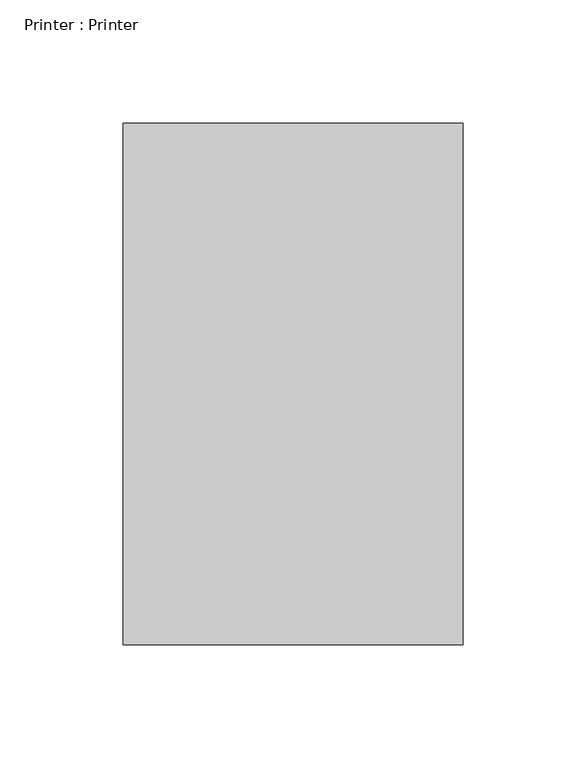
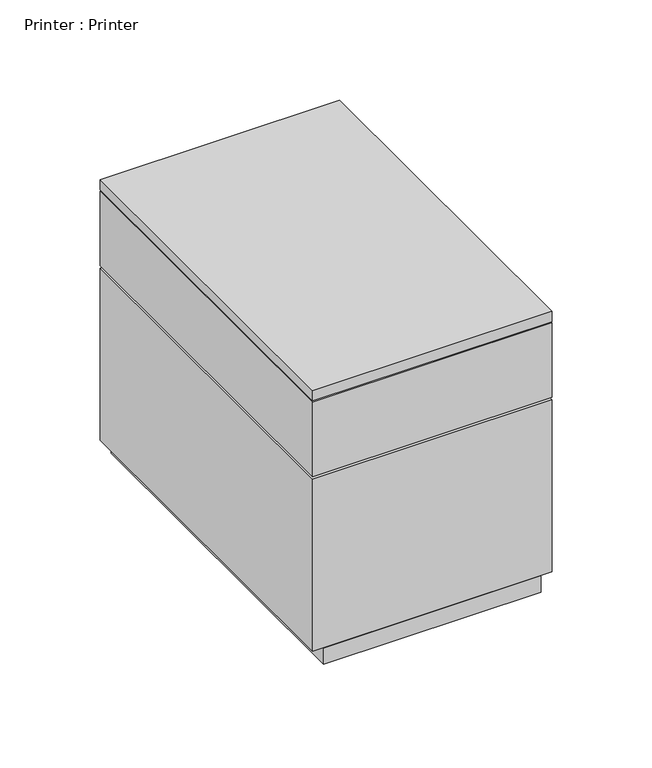
"""IFC4 building model written with IfcOpenShell, lengths in millimetres: proxy geometry, Printer : Printer."""

import ifcopenshell
import ifcopenshell.guid

model = None  # the IFC model being written
_history = None  # IfcOwnerHistory: only IFC2X3 demands one
_inside = {}  # id of a spatial element -> (the spatial element, [elements in it])
_under = {}  # id of a project, library or spatial element -> (it, [spatial elements below it])
_declared = {}  # id of a project -> (the project, [libraries it declares])
_typed = {}  # id of a type object -> (the type object, [elements of that type])
_made_of = {}  # id of a material, layer set ... -> (it, [elements and type objects made of it])


def new_model(schema):
    """Start an empty IFC model of exactly this schema.

    Asked for "IFC4X3", IfcOpenShell would pick the latest addendum, in which some entities
    have other attributes; the version numbers below select the first issue.
    IFC2X3 requires an IfcOwnerHistory on every rooted entity: one is made here for all.
    """
    global model, _history
    if schema == "IFC4X3":
        model = ifcopenshell.file(schema_version=(4, 3, 0, 0))
    else:
        model = ifcopenshell.file(schema=schema)
    _inside.clear()
    _under.clear()
    _declared.clear()
    _typed.clear()
    _made_of.clear()
    _history = None
    if model.schema == "IFC2X3":
        org = make("IfcOrganization", Name="unknown")
        user = make(
            "IfcPersonAndOrganization",
            ThePerson=make("IfcPerson", FamilyName="unknown"),
            TheOrganization=org,
        )
        app = make(
            "IfcApplication",
            ApplicationDeveloper=org,
            Version="unknown",
            ApplicationFullName="unknown",
            ApplicationIdentifier="unknown",
        )
        _history = make(
            "IfcOwnerHistory",
            OwningUser=user,
            OwningApplication=app,
            ChangeAction="ADDED",
            CreationDate=0,
        )
    return model


def make(cls, **values):
    """One entity of the class cls with the attributes given. An attribute that is None is left unset."""
    return model.create_entity(
        cls, **{name: value for name, value in values.items() if value is not None}
    )


def rooted(cls, **values):
    """An entity with a GlobalId (a new one), such as an element, a storey or a relation."""
    return make(cls, GlobalId=ifcopenshell.guid.new(), OwnerHistory=_history, **values)


def si_unit(unit_type, name, prefix=None):
    """IfcSIUnit, for example si_unit("LENGTHUNIT", "METRE", prefix="MILLI")."""
    return make("IfcSIUnit", UnitType=unit_type, Prefix=prefix, Name=name)


def assignment(units):
    """IfcUnitAssignment: the units of a project."""
    return None if units is None else make("IfcUnitAssignment", Units=units)


def point(xyz):
    """IfcCartesianPoint."""
    return None if xyz is None else make("IfcCartesianPoint", Coordinates=xyz)


def direction(xyz):
    """IfcDirection."""
    return None if xyz is None else make("IfcDirection", DirectionRatios=xyz)


def frame(location, z_axis=None, x_axis=None):
    """IfcAxis2Placement3D, a coordinate frame: its origin and axes. An axis left out is left unset."""
    return make(
        "IfcAxis2Placement3D",
        Location=point(location),
        Axis=direction(z_axis),
        RefDirection=direction(x_axis),
    )


def origin():
    """The frame at (0, 0, 0) with its axes left unset."""
    return frame((0.0, 0.0, 0.0))


def place(relative_to, where):
    """IfcLocalPlacement: puts the frame where relative to a parent placement (None: the world)."""
    return make(
        "IfcLocalPlacement", PlacementRelTo=relative_to, RelativePlacement=where
    )


def context(
    kind, dimensions, precision=None, world=None, true_north=None, identifier=None
):
    """IfcGeometricRepresentationContext, for example the 3D "Model" context."""
    return make(
        "IfcGeometricRepresentationContext",
        ContextIdentifier=identifier,
        ContextType=kind,
        CoordinateSpaceDimension=dimensions,
        Precision=precision,
        WorldCoordinateSystem=world,
        TrueNorth=true_north,
    )


def project(units=None, contexts=None):
    """IfcProject with its units and contexts."""
    return rooted(
        "IfcProject",
        Name="project",
        RepresentationContexts=contexts,
        UnitsInContext=assignment(units),
    )


def spatial(cls, under=None, at=None, **own):
    """A site, building, storey or space (cls), placed at a placement, below another one or the project."""
    s = rooted(cls, ObjectPlacement=at, **own)
    if under is not None:
        _under.setdefault(under.id(), (under, []))[1].append(s)
    return s


def faces_of(points, faces, orient=None, outer=None):
    """IfcFace entities. A face is a list of loops; a loop is a list of indices into points, from 0.

    orient and outer hold one flag for each loop. By default every Orientation is true, the
    first loop of a face is its IfcFaceOuterBound and the others are IfcFaceBound.
    """
    made = []
    for i, loops in enumerate(faces):
        bounds = []
        for j, loop in enumerate(loops):
            is_outer = j == 0 if outer is None else outer[i][j]
            bounds.append(
                make(
                    "IfcFaceOuterBound" if is_outer else "IfcFaceBound",
                    Bound=make("IfcPolyLoop", Polygon=[points[k] for k in loop]),
                    Orientation=True if orient is None else orient[i][j],
                )
            )
        made.append(make("IfcFace", Bounds=bounds))
    return made


def faceted_brep(points, faces, orient=None, outer=None, voids=None):
    """IfcFacetedBrep: a solid bounded by flat faces; with voids (closed shells), ...WithVoids."""
    shared = [point(p) for p in points]
    hull = make("IfcClosedShell", CfsFaces=faces_of(shared, faces, orient, outer))
    if voids is None:
        return make("IfcFacetedBrep", Outer=hull)
    return make(
        "IfcFacetedBrepWithVoids",
        Outer=hull,
        Voids=[
            make(cls, CfsFaces=faces_of(shared, fs, o, b)) for cls, fs, o, b in voids
        ],
    )


def shape(context_of_items, identifier, shape_type, items):
    """IfcShapeRepresentation: the items that make up one representation, for example the "Body"."""
    return make(
        "IfcShapeRepresentation",
        ContextOfItems=context_of_items,
        RepresentationIdentifier=identifier,
        RepresentationType=shape_type,
        Items=items,
    )


def source(mapping_origin, context_of_items, identifier, shape_type, items):
    """IfcRepresentationMap: a shape defined once, which mapped items show again and again."""
    return make(
        "IfcRepresentationMap",
        MappingOrigin=mapping_origin,
        MappedRepresentation=shape(context_of_items, identifier, shape_type, items),
    )


def transform(
    local_origin,
    x_axis=None,
    y_axis=None,
    z_axis=None,
    scale=None,
    scale2=None,
    scale3=None,
    uniform=True,
):
    """IfcCartesianTransformationOperator3D, or its non-uniform kind. x_axis, y_axis, z_axis: its Axis1, 2, 3."""
    if uniform:
        return make(
            "IfcCartesianTransformationOperator3D",
            Axis1=direction(x_axis),
            Axis2=direction(y_axis),
            LocalOrigin=point(local_origin),
            Scale=scale,
            Axis3=direction(z_axis),
        )
    return make(
        "IfcCartesianTransformationOperator3DnonUniform",
        Axis1=direction(x_axis),
        Axis2=direction(y_axis),
        LocalOrigin=point(local_origin),
        Scale=scale,
        Axis3=direction(z_axis),
        Scale2=scale2,
        Scale3=scale3,
    )


def mapped(mapping_source, mapping_target):
    """IfcMappedItem: shows the shape of a source again, moved by a transform."""
    return make(
        "IfcMappedItem", MappingSource=mapping_source, MappingTarget=mapping_target
    )


def made_of(thing, what):
    """Note that an element or type object is made of a material, layer set ...; save() writes the relation."""
    if what is not None:
        _made_of.setdefault(what.id(), (what, []))[1].append(thing)
    return thing


def element(
    cls,
    number,
    at=None,
    inside=None,
    cuts=None,
    type_object=None,
    material=None,
    context=None,
    identifier="Body",
    shape_type=None,
    held_by="IfcProductDefinitionShape",
    body=None,
    shapes=None,
    **own,
):
    """One element of the class cls, such as IfcWall. Its Tag is "e" and its number.

    at: its placement. inside: the storey or other place that contains it. cuts: it is an
    opening in that element (IfcRelVoidsElement). A single representation is given by context,
    identifier, shape_type and body (its items); several are given by shapes. held_by: the class
    of the entity that holds the representations. save() writes the other relations.
    """
    e = rooted(cls, Tag="e%d" % number, ObjectPlacement=at, **own)
    if body is not None:
        shapes = [shape(context, identifier, shape_type, body)]
    if shapes is not None:
        e.Representation = make(held_by, Representations=shapes)
    if inside is not None:
        _inside.setdefault(inside.id(), (inside, []))[1].append(e)
    if cuts is not None:
        rooted(
            "IfcRelVoidsElement", RelatingBuildingElement=cuts, RelatedOpeningElement=e
        )
    if type_object is not None:
        _typed.setdefault(type_object.id(), (type_object, []))[1].append(e)
    return made_of(e, material)


def aggregate(whole, parts):
    """IfcRelAggregates: a whole, such as a stair, and the parts it consists of."""
    return rooted("IfcRelAggregates", RelatingObject=whole, RelatedObjects=parts)


def save(model, path):
    """Write the relations noted so far, then the file.

    IfcRelAggregates (storeys below a building ...), IfcRelContainedInSpatialStructure (elements
    in a storey), IfcRelDefinesByType, IfcRelAssociatesMaterial and IfcRelDeclares: one each for
    every whole, place, type object, material and project.
    """
    for whole, parts in _under.values():
        aggregate(whole, parts)
    for where, things in _inside.values():
        rooted(
            "IfcRelContainedInSpatialStructure",
            RelatedElements=things,
            RelatingStructure=where,
        )
    for kind, things in _typed.values():
        rooted("IfcRelDefinesByType", RelatedObjects=things, RelatingType=kind)
    for what, things in _made_of.values():
        rooted("IfcRelAssociatesMaterial", RelatedObjects=things, RelatingMaterial=what)
    for by, libraries in _declared.values():
        rooted("IfcRelDeclares", RelatingContext=by, RelatedDefinitions=libraries)
    model.write(path)


def printer_printer_520d48a0(model_context):
    return source(origin(), model_context, "Body", "Brep", [
        faceted_brep([(69.1058594, -106.0152344, 1077.0561036), (69.1058594, -106.0152344, 1083.3695312), (-69.1058594, -106.0152344, 1083.3695312), (-69.1058594, -106.0152344, 1077.0561036), (69.1058594, 106.0152344, 1077.0561036), (-69.1058594, 106.0152344, 1077.0561036), (-69.1058594, 106.0152344, 1083.3695313), (69.1058594, 106.0152344, 1083.3695313)], [[[0, 1, 2, 3]], [[4, 5, 6, 7]], [[1, 0, 4, 7]], [[2, 1, 7, 6]], [[3, 2, 6, 5]], [[0, 3, 5, 4]]]),
        faceted_brep([(-62.7558594, -106.0152344, 914.4), (62.7558594, -106.0152344, 914.4), (62.7558594, -106.0152344, 924.2613296), (-62.7558594, -106.0152344, 924.2613296), (-62.7558594, 106.0152344, 914.4), (-62.7558594, 106.0152344, 924.2613296), (62.7558594, 106.0152344, 924.2613296), (62.7558594, 106.0152344, 914.4)], [[[0, 1, 2, 3]], [[4, 5, 6, 7]], [[1, 0, 4, 7]], [[3, 2, 6, 5]], [[2, 1, 7, 6]], [[0, 3, 5, 4]]]),
        faceted_brep([(69.1058594, -106.0152344, 1029.3071223), (-69.1058594, -106.0152344, 1029.3071223), (-69.1058594, -106.0152344, 924.5345682), (69.1058594, -106.0152344, 924.5345682), (69.1058594, 106.0152344, 1029.3071223), (69.1058594, 106.0152344, 924.5345682), (-69.1058594, 106.0152344, 924.5345682), (-69.1058594, 106.0152344, 1029.3071223), (-28.5101318, 106.0152344, 1029.3071223), (-28.5101318, 106.0152344, 1016.6071223), (28.5101318, 106.0152344, 1016.6071223), (28.5101318, 106.0152344, 1029.3071223), (28.5101318, -6.0523438, 1029.3071223), (-28.5101318, -6.0523438, 1029.3071223), (28.5101318, -6.0523438, 1016.6071223), (-28.5101318, -6.0523438, 1016.6071223)], [[[0, 1, 2, 3]], [[4, 5, 6, 7, 8, 9, 10, 11]], [[0, 3, 5, 4]], [[1, 0, 4, 11, 12, 13, 8, 7]], [[12, 14, 15, 13]], [[13, 15, 9, 8]], [[15, 14, 10, 9]], [[14, 12, 11, 10]], [[2, 1, 7, 6]], [[3, 2, 6, 5]]]),
        faceted_brep([(69.1058594, -106.0152344, 1030.9820312), (69.1058594, -106.0152344, 1076.1749447), (-69.1058594, -106.0152344, 1076.1749447), (-69.1058594, -106.0152344, 1030.9820313), (69.1058594, 106.0152344, 1030.9820313), (-69.1058594, 106.0152344, 1030.9820313), (-69.1058594, 106.0152344, 1076.1749447), (69.1058594, 106.0152344, 1076.1749447)], [[[0, 1, 2, 3]], [[4, 5, 6, 7]], [[3, 2, 6, 5]], [[0, 3, 5, 4]], [[1, 0, 4, 7]], [[2, 1, 7, 6]]]),
    ])


if __name__ == "__main__":
    model = new_model("IFC4")
    model_context = context("Model", 3, world=origin())
    ifc_project = project(units=[si_unit("LENGTHUNIT", "METRE", prefix="MILLI")], contexts=[model_context])
    site = spatial("IfcSite", under=ifc_project)
    building = spatial("IfcBuilding", under=site)
    placement = place(None, origin())
    printer_printer_shape = printer_printer_520d48a0(model_context)
    element("IfcBuildingElementProxy", 1, Name="Printer : Printer", ObjectType="Printer : Printer", at=placement, inside=building, context=model_context, shape_type="MappedRepresentation", body=[
        mapped(printer_printer_shape, transform((0.0, 0.0, 0.0), x_axis=(1.0, 0.0, 0.0), y_axis=(0.0, 1.0, 0.0), z_axis=(0.0, 0.0, 1.0))),
    ])
    save(model, "model.ifc")
